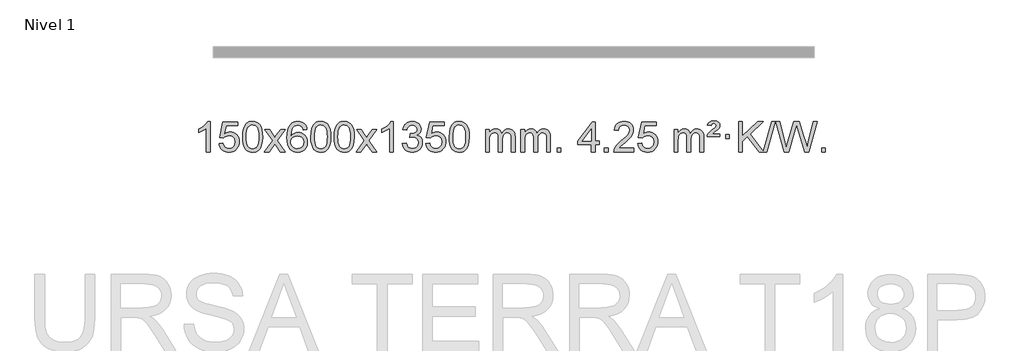
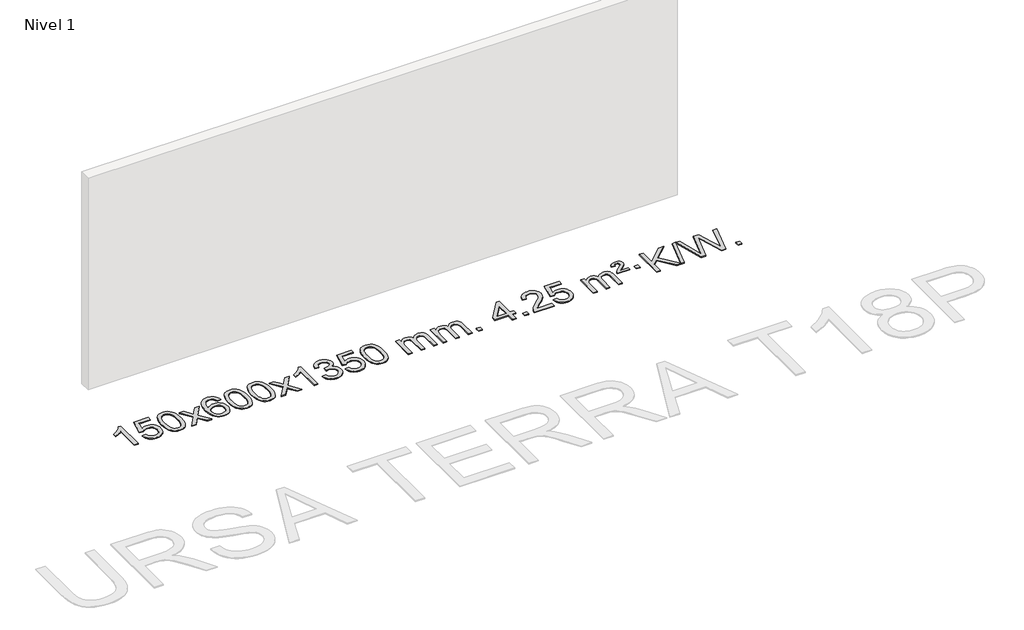
# One storey, part 2 of 9: 1 proxy.
"""IFC4 building model written with IfcOpenShell, lengths in millimetres."""

import ifcopenshell
import ifcopenshell.guid

model = None  # the IFC model being written
_history = None  # IfcOwnerHistory: only IFC2X3 demands one
_inside = {}  # id of a spatial element -> (the spatial element, [elements in it])
_under = {}  # id of a project, library or spatial element -> (it, [spatial elements below it])
_declared = {}  # id of a project -> (the project, [libraries it declares])
_typed = {}  # id of a type object -> (the type object, [elements of that type])
_made_of = {}  # id of a material, layer set ... -> (it, [elements and type objects made of it])


def new_model(schema):
    """Start an empty IFC model of exactly this schema.

    Asked for "IFC4X3", IfcOpenShell would pick the latest addendum, in which some entities
    have other attributes; the version numbers below select the first issue.
    IFC2X3 requires an IfcOwnerHistory on every rooted entity: one is made here for all.
    """
    global model, _history
    if schema == "IFC4X3":
        model = ifcopenshell.file(schema_version=(4, 3, 0, 0))
    else:
        model = ifcopenshell.file(schema=schema)
    _inside.clear()
    _under.clear()
    _declared.clear()
    _typed.clear()
    _made_of.clear()
    _history = None
    if model.schema == "IFC2X3":
        org = make("IfcOrganization", Name="unknown")
        user = make(
            "IfcPersonAndOrganization",
            ThePerson=make("IfcPerson", FamilyName="unknown"),
            TheOrganization=org,
        )
        app = make(
            "IfcApplication",
            ApplicationDeveloper=org,
            Version="unknown",
            ApplicationFullName="unknown",
            ApplicationIdentifier="unknown",
        )
        _history = make(
            "IfcOwnerHistory",
            OwningUser=user,
            OwningApplication=app,
            ChangeAction="ADDED",
            CreationDate=0,
        )
    return model


def make(cls, **values):
    """One entity of the class cls with the attributes given. An attribute that is None is left unset."""
    return model.create_entity(
        cls, **{name: value for name, value in values.items() if value is not None}
    )


def rooted(cls, **values):
    """An entity with a GlobalId (a new one), such as an element, a storey or a relation."""
    return make(cls, GlobalId=ifcopenshell.guid.new(), OwnerHistory=_history, **values)


def si_unit(unit_type, name, prefix=None):
    """IfcSIUnit, for example si_unit("LENGTHUNIT", "METRE", prefix="MILLI")."""
    return make("IfcSIUnit", UnitType=unit_type, Prefix=prefix, Name=name)


def assignment(units):
    """IfcUnitAssignment: the units of a project."""
    return None if units is None else make("IfcUnitAssignment", Units=units)


def point(xyz):
    """IfcCartesianPoint."""
    return None if xyz is None else make("IfcCartesianPoint", Coordinates=xyz)


def direction(xyz):
    """IfcDirection."""
    return None if xyz is None else make("IfcDirection", DirectionRatios=xyz)


def frame(location, z_axis=None, x_axis=None):
    """IfcAxis2Placement3D, a coordinate frame: its origin and axes. An axis left out is left unset."""
    return make(
        "IfcAxis2Placement3D",
        Location=point(location),
        Axis=direction(z_axis),
        RefDirection=direction(x_axis),
    )


def origin():
    """The frame at (0, 0, 0) with its axes left unset."""
    return frame((0.0, 0.0, 0.0))


def origin_with_axes():
    """The frame at (0, 0, 0) with the z axis (0, 0, 1) and the x axis (1, 0, 0) written out."""
    return frame((0.0, 0.0, 0.0), z_axis=(0.0, 0.0, 1.0), x_axis=(1.0, 0.0, 0.0))


def place(relative_to, where):
    """IfcLocalPlacement: puts the frame where relative to a parent placement (None: the world)."""
    return make(
        "IfcLocalPlacement", PlacementRelTo=relative_to, RelativePlacement=where
    )


def context(
    kind, dimensions, precision=None, world=None, true_north=None, identifier=None
):
    """IfcGeometricRepresentationContext, for example the 3D "Model" context."""
    return make(
        "IfcGeometricRepresentationContext",
        ContextIdentifier=identifier,
        ContextType=kind,
        CoordinateSpaceDimension=dimensions,
        Precision=precision,
        WorldCoordinateSystem=world,
        TrueNorth=true_north,
    )


def project(units=None, contexts=None):
    """IfcProject with its units and contexts."""
    return rooted(
        "IfcProject",
        Name="project",
        RepresentationContexts=contexts,
        UnitsInContext=assignment(units),
    )


def spatial(cls, under=None, at=None, **own):
    """A site, building, storey or space (cls), placed at a placement, below another one or the project."""
    s = rooted(cls, ObjectPlacement=at, **own)
    if under is not None:
        _under.setdefault(under.id(), (under, []))[1].append(s)
    return s


def polyline(points):
    """IfcPolyline through the points."""
    return make("IfcPolyline", Points=[point(p) for p in points])


def outline(outer, holes=None, kind="AREA"):
    """IfcArbitraryClosedProfileDef: a profile drawn as a closed curve; with holes, ...WithVoids."""
    if holes is None:
        return make("IfcArbitraryClosedProfileDef", ProfileType=kind, OuterCurve=outer)
    return make(
        "IfcArbitraryProfileDefWithVoids",
        ProfileType=kind,
        OuterCurve=outer,
        InnerCurves=holes,
    )


def extrude(swept, where, along, depth):
    """IfcExtrudedAreaSolid: the profile swept, set in the frame where, extruded along a direction by depth."""
    return make(
        "IfcExtrudedAreaSolid",
        SweptArea=swept,
        Position=where,
        ExtrudedDirection=direction(along),
        Depth=depth,
    )


def shape(context_of_items, identifier, shape_type, items):
    """IfcShapeRepresentation: the items that make up one representation, for example the "Body"."""
    return make(
        "IfcShapeRepresentation",
        ContextOfItems=context_of_items,
        RepresentationIdentifier=identifier,
        RepresentationType=shape_type,
        Items=items,
    )


def made_of(thing, what):
    """Note that an element or type object is made of a material, layer set ...; save() writes the relation."""
    if what is not None:
        _made_of.setdefault(what.id(), (what, []))[1].append(thing)
    return thing


def element(
    cls,
    number,
    at=None,
    inside=None,
    cuts=None,
    type_object=None,
    material=None,
    context=None,
    identifier="Body",
    shape_type=None,
    held_by="IfcProductDefinitionShape",
    body=None,
    shapes=None,
    **own,
):
    """One element of the class cls, such as IfcWall. Its Tag is "e" and its number.

    at: its placement. inside: the storey or other place that contains it. cuts: it is an
    opening in that element (IfcRelVoidsElement). A single representation is given by context,
    identifier, shape_type and body (its items); several are given by shapes. held_by: the class
    of the entity that holds the representations. save() writes the other relations.
    """
    e = rooted(cls, Tag="e%d" % number, ObjectPlacement=at, **own)
    if body is not None:
        shapes = [shape(context, identifier, shape_type, body)]
    if shapes is not None:
        e.Representation = make(held_by, Representations=shapes)
    if inside is not None:
        _inside.setdefault(inside.id(), (inside, []))[1].append(e)
    if cuts is not None:
        rooted(
            "IfcRelVoidsElement", RelatingBuildingElement=cuts, RelatedOpeningElement=e
        )
    if type_object is not None:
        _typed.setdefault(type_object.id(), (type_object, []))[1].append(e)
    return made_of(e, material)


def aggregate(whole, parts):
    """IfcRelAggregates: a whole, such as a stair, and the parts it consists of."""
    return rooted("IfcRelAggregates", RelatingObject=whole, RelatedObjects=parts)


def save(model, path):
    """Write the relations noted so far, then the file.

    IfcRelAggregates (storeys below a building ...), IfcRelContainedInSpatialStructure (elements
    in a storey), IfcRelDefinesByType, IfcRelAssociatesMaterial and IfcRelDeclares: one each for
    every whole, place, type object, material and project.
    """
    for whole, parts in _under.values():
        aggregate(whole, parts)
    for where, things in _inside.values():
        rooted(
            "IfcRelContainedInSpatialStructure",
            RelatedElements=things,
            RelatingStructure=where,
        )
    for kind, things in _typed.values():
        rooted("IfcRelDefinesByType", RelatedObjects=things, RelatingType=kind)
    for what, things in _made_of.values():
        rooted("IfcRelAssociatesMaterial", RelatedObjects=things, RelatingMaterial=what)
    for by, libraries in _declared.values():
        rooted("IfcRelDeclares", RelatingContext=by, RelatedDefinitions=libraries)
    model.write(path)


model = new_model("IFC4")

# Units and contexts
model_context = context("Model", 3, world=origin())
ifc_project = project(units=[si_unit("LENGTHUNIT", "METRE", prefix="MILLI")], contexts=[model_context])

# Site, building, storey
site = spatial("IfcSite", under=ifc_project)
building = spatial("IfcBuilding", under=site)
storey = spatial("IfcBuildingStorey", under=building, Name="Nivel 1", Elevation=0.0)

# Proxy
placement = place(None, origin())
element("IfcBuildingElementProxy", 1, Name="Texto de modelo 1", ObjectType="Texto de modelo 1", at=placement, inside=storey, context=model_context, shape_type="SweptSolid", body=[
    extrude(outline(polyline([(-6575.4615788, -18411.579453), (-6625.6897338, -18411.579453), (-6625.6897338, -18098.4382987), (-6646.6590076, -18115.3976587), (-6673.2691385, -18132.3324932), (-6726.146044, -18157.6918254), (-6726.146044, -18110.2105225), (-6686.6968314, -18088.7507395), (-6652.520594, -18063.219729), (-6625.5793692, -18036.0700378), (-6607.8351943, -18009.7542124), (-6575.4615788, -18009.7542124), (-6575.4615788, -18411.579453)])), origin_with_axes(), (0.0, 0.0, 1.0), 10.0),
    extrude(outline(polyline([(-6456.1697105, -18304.8446235), (-6405.9415554, -18298.5661041), (-6396.71998, -18328.7201649), (-6380.6312741, -18350.3148381), (-6357.749014, -18363.3010725), (-6328.1467761, -18367.6298173), (-6309.0169124, -18366.1245668), (-6292.1433915, -18361.6088153), (-6277.5262136, -18354.0825628), (-6265.1653786, -18343.5458094), (-6255.3367979, -18330.519721), (-6248.3163832, -18315.5254641), (-6242.7000514, -18279.6324441), (-6247.9607639, -18245.8363514), (-6254.5366546, -18231.9181493), (-6263.7429015, -18219.9865099), (-6275.6101615, -18210.4154467), (-6290.1690915, -18203.5789729), (-6327.3619612, -18198.1097939), (-6351.728012, -18200.2925604), (-6371.4587497, -18206.8408599), (-6387.2163618, -18216.8717757), (-6399.663036, -18229.5023908), (-6449.8911911, -18223.2238715), (-6405.9415554, -18016.0327318), (-6211.3074545, -18016.0327318), (-6211.3074545, -18066.2608869), (-6365.3273831, -18066.2608869), (-6386.9097935, -18176.919791), (-6369.1840127, -18164.2155994), (-6351.0290362, -18155.1411769), (-6332.4448641, -18149.6965234), (-6313.4314963, -18147.8816388), (-6288.9673437, -18150.1318504), (-6266.4897537, -18156.882485), (-6245.9987266, -18168.1335427), (-6227.4942623, -18183.8850234), (-6212.1719772, -18203.1743027), (-6201.2274878, -18225.038756), (-6194.6607942, -18249.4783832), (-6192.4718963, -18276.4931844), (-6194.440065, -18302.5147042), (-6200.344571, -18326.7213394), (-6210.1854144, -18349.1130902), (-6223.9625951, -18369.6899565), (-6244.833767, -18390.7634634), (-6269.187555, -18405.8159684), (-6297.0239593, -18414.8474714), (-6328.3429799, -18417.8579724), (-6354.2633321, -18415.9235262), (-6377.6759554, -18410.1201877), (-6398.5808498, -18400.447957), (-6416.9780152, -18386.9068338), (-6432.2849719, -18370.1712688), (-6443.91924, -18350.915712), (-6451.8808195, -18329.1401636), (-6456.1697105, -18304.8446235)])), origin_with_axes(), (0.0, 0.0, 1.0), 10.0),
    extrude(outline(polyline([(-6148.5222606, -18213.9041943), (-6144.8311779, -18149.5861588), (-6133.7579299, -18098.2911459), (-6115.4128811, -18059.2343407), (-6103.5548181, -18044.0009605), (-6089.9063961, -18031.6309284), (-6074.4216298, -18022.0598651), (-6057.0545339, -18015.2233914), (-6016.6733536, -18009.7542124), (-5985.722215, -18012.991574), (-5958.0084381, -18022.7036586), (-5934.8318724, -18038.5103217), (-5917.4923677, -18060.0314184), (-5904.3957686, -18087.0830078), (-5893.94792, -18119.4811488), (-5887.1053149, -18160.6226186), (-5884.8244465, -18213.9041943), (-5888.478741, -18277.8543477), (-5899.4416244, -18329.0267333), (-5917.6763087, -18368.1203266), (-5929.5067805, -18383.3996922), (-5943.1460055, -18395.8341036), (-5958.6491659, -18405.4695462), (-5976.071444, -18412.3520052), (-6016.6733536, -18417.8579724), (-6044.3380796, -18415.4667394), (-6068.8635459, -18408.2930405), (-6090.2497526, -18396.3368757), (-6108.4966996, -18379.5982449), (-6126.0078825, -18349.3399508), (-6138.5158704, -18311.6381776), (-6146.0206631, -18266.4929255), (-6148.5222606, -18213.9041943)]), holes=[polyline([(-6098.2941056, -18213.8060924), (-6096.8225776, -18257.4706195), (-6092.4079936, -18292.8148822), (-6085.0503537, -18319.8388804), (-6074.7496579, -18338.5426142), (-6062.290721, -18351.2682656), (-6048.4583579, -18360.3580165), (-6033.2525688, -18365.8118671), (-6016.6733536, -18367.6298173), (-6000.0941383, -18365.8057357), (-5984.8883492, -18360.3334911), (-5971.0559862, -18351.2130833), (-5958.5970493, -18338.4445124), (-5948.2963534, -18319.7101217), (-5940.9387135, -18292.6922549), (-5936.5241295, -18257.3909118), (-5935.0526016, -18213.8060924), (-5936.4750786, -18171.2973278), (-5940.7425098, -18136.5753989), (-5947.854895, -18109.6403055), (-5957.8122343, -18090.4920476), (-5970.0627048, -18077.1440625), (-5984.0544833, -18067.6097875), (-5999.78757, -18061.8892225), (-6017.2619648, -18059.9823675), (-6033.7553409, -18061.6623619), (-6048.7036126, -18066.7023452), (-6062.10678, -18075.1023175), (-6073.9648429, -18086.8622786), (-6084.6088953, -18107.708925), (-6092.2117899, -18135.8151094), (-6096.7735266, -18171.1808319), (-6098.2941056, -18213.8060924)])]), origin_with_axes(), (0.0, 0.0, 1.0), 10.0),
    extrude(outline(polyline([(-5859.7103689, -18411.579453), (-5752.3869282, -18263.1513307), (-5853.4318496, -18116.4890419), (-5793.1973042, -18116.4890419), (-5744.4406771, -18187.2204869), (-5721.5829425, -18220.4770192), (-5701.7663657, -18193.2047007), (-5646.2407099, -18116.4890419), (-5585.8099608, -18116.4890419), (-5691.9561791, -18263.2494325), (-5589.7340354, -18411.579453), (-5650.0666826, -18411.579453), (-5711.6746541, -18322.3067555), (-5722.8582667, -18305.923744), (-5799.2796199, -18411.579453), (-5859.7103689, -18411.579453)])), origin_with_axes(), (0.0, 0.0, 1.0), 10.0),
    extrude(outline(polyline([(-5300.9221437, -18116.4890419), (-5351.1502988, -18122.7675613), (-5359.2437027, -18097.874213), (-5370.1820607, -18080.8780648), (-5392.9662189, -18065.2062918), (-5420.5083176, -18059.9823675), (-5443.8565616, -18063.0235253), (-5465.8313794, -18072.1469988), (-5484.7037258, -18091.3627017), (-5500.1179814, -18117.8134171), (-5510.5290419, -18155.227016), (-5514.3918028, -18207.3313693), (-5494.2441322, -18183.8237098), (-5470.0988106, -18167.2567573), (-5443.3047386, -18157.434308), (-5415.2108169, -18154.1601582), (-5391.077758, -18156.398107), (-5368.8086346, -18163.1119534), (-5348.4034466, -18174.3016975), (-5329.862194, -18189.9673391), (-5314.4540698, -18209.1769106), (-5303.4482668, -18230.9984443), (-5296.844785, -18255.4319401), (-5294.6436244, -18282.4773982), (-5298.7884282, -18318.4439945), (-5311.2228396, -18351.786366), (-5330.9167891, -18380.0642287), (-5356.840207, -18400.8372987), (-5387.815871, -18413.602804), (-5422.6665587, -18417.8579724), (-5452.6090874, -18415.0375437), (-5479.6514797, -18406.5762579), (-5503.7937357, -18392.4741147), (-5525.0358552, -18372.7311143), (-5542.3539001, -18346.5133908), (-5554.7239322, -18312.9870783), (-5562.1459515, -18272.1521768), (-5564.6199579, -18224.0086864), (-5561.8731057, -18170.0342663), (-5553.632549, -18123.9693092), (-5539.8982878, -18085.8138149), (-5520.6703222, -18055.5677835), (-5499.8298072, -18035.5243462), (-5475.6660915, -18021.2076052), (-5448.179175, -18012.6175606), (-5417.3690579, -18009.7542124), (-5394.2354118, -18011.5261773), (-5373.2967949, -18016.8420722), (-5354.5532073, -18025.7018969), (-5338.0046489, -18038.1056515), (-5324.0987094, -18053.6364031), (-5313.2829788, -18071.8772186), (-5305.5574569, -18092.8280983), (-5300.9221437, -18116.4890419)]), holes=[polyline([(-5514.3918028, -18281.6925832), (-5511.485535, -18303.9494439), (-5502.7667318, -18325.2007605), (-5489.2286743, -18343.472233), (-5471.8646442, -18356.7895612), (-5450.9076332, -18364.9197533), (-5426.5906333, -18367.6298173), (-5393.4444655, -18362.0134855), (-5379.5293291, -18354.9930708), (-5367.3861575, -18345.1644901), (-5357.5361171, -18332.9262824), (-5350.500374, -18318.6769865), (-5344.8717794, -18284.1451299), (-5350.4267976, -18250.9989621), (-5357.3705702, -18237.3781312), (-5367.0918519, -18225.725469), (-5379.2718117, -18216.3904634), (-5393.5916183, -18209.7226022), (-5428.6507725, -18204.3883133), (-5461.7478893, -18209.7226022), (-5489.4248781, -18225.725469), (-5500.3479076, -18237.2248471), (-5508.1500716, -18250.3858254), (-5512.83137, -18265.2084042), (-5514.3918028, -18281.6925832)])]), origin_with_axes(), (0.0, 0.0, 1.0), 10.0),
    extrude(outline(polyline([(-5250.6939887, -18213.9041943), (-5247.002906, -18149.5861588), (-5235.9296579, -18098.2911459), (-5217.5846091, -18059.2343407), (-5205.7265461, -18044.0009605), (-5192.0781241, -18031.6309284), (-5176.5933578, -18022.0598651), (-5159.2262619, -18015.2233914), (-5118.8450816, -18009.7542124), (-5087.8939431, -18012.991574), (-5060.1801661, -18022.7036586), (-5037.0036004, -18038.5103217), (-5019.6640957, -18060.0314184), (-5006.5674967, -18087.0830078), (-4996.119648, -18119.4811488), (-4989.2770429, -18160.6226186), (-4986.9961745, -18213.9041943), (-4990.650469, -18277.8543477), (-5001.6133525, -18329.0267333), (-5019.8480367, -18368.1203266), (-5031.6785085, -18383.3996922), (-5045.3177335, -18395.8341036), (-5060.8208939, -18405.4695462), (-5078.2431721, -18412.3520052), (-5118.8450816, -18417.8579724), (-5146.5098076, -18415.4667394), (-5171.035274, -18408.2930405), (-5192.4214806, -18396.3368757), (-5210.6684276, -18379.5982449), (-5228.1796106, -18349.3399508), (-5240.6875984, -18311.6381776), (-5248.1923911, -18266.4929255), (-5250.6939887, -18213.9041943)]), holes=[polyline([(-5200.4658336, -18213.8060924), (-5198.9943056, -18257.4706195), (-5194.5797217, -18292.8148822), (-5187.2220818, -18319.8388804), (-5176.9213859, -18338.5426142), (-5164.462449, -18351.2682656), (-5150.630086, -18360.3580165), (-5135.4242968, -18365.8118671), (-5118.8450816, -18367.6298173), (-5102.2658663, -18365.8057357), (-5087.0600772, -18360.3334911), (-5073.2277142, -18351.2130833), (-5060.7687773, -18338.4445124), (-5050.4680814, -18319.7101217), (-5043.1104415, -18292.6922549), (-5038.6958576, -18257.3909118), (-5037.2243296, -18213.8060924), (-5038.6468066, -18171.2973278), (-5042.9142378, -18136.5753989), (-5050.026623, -18109.6403055), (-5059.9839624, -18090.4920476), (-5072.2344328, -18077.1440625), (-5086.2262114, -18067.6097875), (-5101.959298, -18061.8892225), (-5119.4336928, -18059.9823675), (-5135.9270689, -18061.6623619), (-5150.8753406, -18066.7023452), (-5164.278508, -18075.1023175), (-5176.136571, -18086.8622786), (-5186.7806234, -18107.708925), (-5194.3835179, -18135.8151094), (-5198.9452547, -18171.1808319), (-5200.4658336, -18213.8060924)])]), origin_with_axes(), (0.0, 0.0, 1.0), 10.0),
    extrude(outline(polyline([(-4943.0465388, -18213.9041943), (-4939.3554561, -18149.5861588), (-4928.2822081, -18098.2911459), (-4909.9371593, -18059.2343407), (-4898.0790963, -18044.0009605), (-4884.4306743, -18031.6309284), (-4868.945908, -18022.0598651), (-4851.5788121, -18015.2233914), (-4811.1976318, -18009.7542124), (-4780.2464932, -18012.991574), (-4752.5327163, -18022.7036586), (-4729.3561506, -18038.5103217), (-4712.0166459, -18060.0314184), (-4698.9200468, -18087.0830078), (-4688.4721982, -18119.4811488), (-4681.6295931, -18160.6226186), (-4679.3487247, -18213.9041943), (-4683.0030192, -18277.8543477), (-4693.9659026, -18329.0267333), (-4712.2005869, -18368.1203266), (-4724.0310587, -18383.3996922), (-4737.6702837, -18395.8341036), (-4753.1734441, -18405.4695462), (-4770.5957222, -18412.3520052), (-4811.1976318, -18417.8579724), (-4838.8623578, -18415.4667394), (-4863.3878241, -18408.2930405), (-4884.7740308, -18396.3368757), (-4903.0209778, -18379.5982449), (-4920.5321607, -18349.3399508), (-4933.0401486, -18311.6381776), (-4940.5449413, -18266.4929255), (-4943.0465388, -18213.9041943)]), holes=[polyline([(-4892.8183838, -18213.8060924), (-4891.3468558, -18257.4706195), (-4886.9322718, -18292.8148822), (-4879.5746319, -18319.8388804), (-4869.2739361, -18338.5426142), (-4856.8149992, -18351.2682656), (-4842.9826361, -18360.3580165), (-4827.776847, -18365.8118671), (-4811.1976318, -18367.6298173), (-4794.6184165, -18365.8057357), (-4779.4126274, -18360.3334911), (-4765.5802644, -18351.2130833), (-4753.1213275, -18338.4445124), (-4742.8206316, -18319.7101217), (-4735.4629917, -18292.6922549), (-4731.0484077, -18257.3909118), (-4729.5768798, -18213.8060924), (-4730.9993568, -18171.2973278), (-4735.266788, -18136.5753989), (-4742.3791732, -18109.6403055), (-4752.3365125, -18090.4920476), (-4764.586983, -18077.1440625), (-4778.5787615, -18067.6097875), (-4794.3118482, -18061.8892225), (-4811.786243, -18059.9823675), (-4828.2796191, -18061.6623619), (-4843.2278908, -18066.7023452), (-4856.6310582, -18075.1023175), (-4868.4891211, -18086.8622786), (-4879.1331735, -18107.708925), (-4886.7360681, -18135.8151094), (-4891.2978048, -18171.1808319), (-4892.8183838, -18213.8060924)])]), origin_with_axes(), (0.0, 0.0, 1.0), 10.0),
    extrude(outline(polyline([(-4654.2346472, -18411.579453), (-4546.9112064, -18263.1513307), (-4647.9561278, -18116.4890419), (-4587.7215824, -18116.4890419), (-4538.9649553, -18187.2204869), (-4516.1072207, -18220.4770192), (-4496.2906439, -18193.2047007), (-4440.7649881, -18116.4890419), (-4380.334239, -18116.4890419), (-4486.4804574, -18263.2494325), (-4384.2583136, -18411.579453), (-4444.5909608, -18411.579453), (-4506.1989323, -18322.3067555), (-4517.3825449, -18305.923744), (-4593.8038981, -18411.579453), (-4654.2346472, -18411.579453)])), origin_with_axes(), (0.0, 0.0, 1.0), 10.0),
    extrude(outline(polyline([(-4164.5101352, -18411.579453), (-4214.7382902, -18411.579453), (-4214.7382902, -18098.4382987), (-4235.707564, -18115.3976587), (-4262.317695, -18132.3324932), (-4315.1946004, -18157.6918254), (-4315.1946004, -18110.2105225), (-4275.7453878, -18088.7507395), (-4241.5691504, -18063.219729), (-4214.6279257, -18036.0700378), (-4196.8837508, -18009.7542124), (-4164.5101352, -18009.7542124), (-4164.5101352, -18411.579453)])), origin_with_axes(), (0.0, 0.0, 1.0), 10.0),
    extrude(outline(polyline([(-4045.2182669, -18304.8446235), (-3994.9901118, -18298.5661041), (-3983.7451855, -18330.1303793), (-3967.2763348, -18351.4430095), (-3944.7742195, -18363.5831154), (-3915.429499, -18367.6298173), (-3880.9957442, -18362.0625364), (-3866.7219228, -18355.1034354), (-3854.4101387, -18345.3606939), (-3837.4139905, -18320.4428201), (-3831.7486078, -18290.2274455), (-3837.3649396, -18261.5449126), (-3854.213935, -18238.2825078), (-3879.72042, -18222.8682522), (-3911.3092206, -18217.730167), (-3946.5277903, -18223.2238715), (-3940.935984, -18172.9957164), (-3932.891631, -18173.5843276), (-3902.7988838, -18169.979084), (-3875.8944472, -18159.1633534), (-3864.8211992, -18150.9841103), (-3856.9117363, -18140.8673555), (-3852.1660585, -18128.8130888), (-3850.584166, -18114.8213102), (-3855.1704282, -18093.1285352), (-3868.9292148, -18075.5315131), (-3889.923014, -18063.8696539), (-3916.2143139, -18059.9823675), (-3942.5546648, -18063.9064421), (-3964.0880242, -18075.6786659), (-3979.8088481, -18095.299039), (-3988.7115924, -18122.7675613), (-4038.9397475, -18116.4890419), (-4032.9861905, -18092.5092672), (-4024.1508913, -18071.3867093), (-4012.4338497, -18053.1213683), (-3997.8350659, -18037.713244), (-3980.8143922, -18025.4811677), (-3961.8316813, -18016.7439703), (-3940.886933, -18011.5016519), (-3917.9801475, -18009.7542124), (-3886.4036096, -18013.2000404), (-3857.4022456, -18023.5375245), (-3832.9503557, -18039.8469596), (-3815.0222398, -18061.2086408), (-3804.0225681, -18085.8199463), (-3800.3560109, -18111.8782543), (-3803.8386271, -18136.1584659), (-3814.2864758, -18158.1823347), (-3831.5524041, -18176.9443165), (-3855.4892592, -18191.4388671), (-3824.0476114, -18204.1430586), (-3800.7484183, -18225.77452), (-3786.3274441, -18255.1560286), (-3781.5204527, -18291.1103623), (-3783.9239484, -18316.5923218), (-3791.1344355, -18340.0631931), (-3803.151914, -18361.5229762), (-3819.976384, -18380.971671), (-3840.4735425, -18397.1094278), (-3863.5090867, -18408.636397), (-3889.0830168, -18415.5525785), (-3917.1953326, -18417.8579724), (-3942.6037157, -18415.8898037), (-3965.7557559, -18409.9852977), (-3986.6514532, -18400.1444543), (-4005.2908077, -18386.3672736), (-4020.9196611, -18369.4630959), (-4032.7838554, -18350.2412617), (-4040.8833907, -18328.7017708), (-4045.2182669, -18304.8446235)])), origin_with_axes(), (0.0, 0.0, 1.0), 10.0),
    extrude(outline(polyline([(-3737.570817, -18304.8446235), (-3687.342662, -18298.5661041), (-3678.1210866, -18328.7201649), (-3662.0323807, -18350.3148381), (-3639.1501206, -18363.3010725), (-3609.5478827, -18367.6298173), (-3590.418019, -18366.1245668), (-3573.5444981, -18361.6088153), (-3558.9273202, -18354.0825628), (-3546.5664851, -18343.5458094), (-3536.7379045, -18330.519721), (-3529.7174898, -18315.5254641), (-3524.101158, -18279.6324441), (-3529.3618705, -18245.8363514), (-3535.9377612, -18231.9181493), (-3545.1440081, -18219.9865099), (-3557.0112681, -18210.4154467), (-3571.5701981, -18203.5789729), (-3608.7630678, -18198.1097939), (-3633.1291186, -18200.2925604), (-3652.8598563, -18206.8408599), (-3668.6174684, -18216.8717757), (-3681.0641426, -18229.5023908), (-3731.2922977, -18223.2238715), (-3687.342662, -18016.0327318), (-3492.708561, -18016.0327318), (-3492.708561, -18066.2608869), (-3646.7284897, -18066.2608869), (-3668.3109001, -18176.919791), (-3650.5851193, -18164.2155994), (-3632.4301428, -18155.1411769), (-3613.8459707, -18149.6965234), (-3594.8326029, -18147.8816388), (-3570.3684502, -18150.1318504), (-3547.8908603, -18156.882485), (-3527.3998332, -18168.1335427), (-3508.8953688, -18183.8850234), (-3493.5730837, -18203.1743027), (-3482.6285944, -18225.038756), (-3476.0619008, -18249.4783832), (-3473.8730029, -18276.4931844), (-3475.8411716, -18302.5147042), (-3481.7456776, -18326.7213394), (-3491.586521, -18349.1130902), (-3505.3637017, -18369.6899565), (-3526.2348735, -18390.7634634), (-3550.5886616, -18405.8159684), (-3578.4250659, -18414.8474714), (-3609.7440864, -18417.8579724), (-3635.6644387, -18415.9235262), (-3659.077062, -18410.1201877), (-3679.9819564, -18400.447957), (-3698.3791218, -18386.9068338), (-3713.6860785, -18370.1712688), (-3725.3203466, -18350.915712), (-3733.2819261, -18329.1401636), (-3737.570817, -18304.8446235)])), origin_with_axes(), (0.0, 0.0, 1.0), 10.0),
    extrude(outline(polyline([(-3429.9233672, -18213.9041943), (-3426.2322845, -18149.5861588), (-3415.1590365, -18098.2911459), (-3396.8139876, -18059.2343407), (-3384.9559247, -18044.0009605), (-3371.3075026, -18031.6309284), (-3355.8227363, -18022.0598651), (-3338.4556405, -18015.2233914), (-3298.0744601, -18009.7542124), (-3267.1233216, -18012.991574), (-3239.4095446, -18022.7036586), (-3216.2329789, -18038.5103217), (-3198.8934742, -18060.0314184), (-3185.7968752, -18087.0830078), (-3175.3490265, -18119.4811488), (-3168.5064214, -18160.6226186), (-3166.2255531, -18213.9041943), (-3169.8798475, -18277.8543477), (-3180.842731, -18329.0267333), (-3199.0774152, -18368.1203266), (-3210.9078871, -18383.3996922), (-3224.547112, -18395.8341036), (-3240.0502724, -18405.4695462), (-3257.4725506, -18412.3520052), (-3298.0744601, -18417.8579724), (-3325.7391862, -18415.4667394), (-3350.2646525, -18408.2930405), (-3371.6508592, -18396.3368757), (-3389.8978061, -18379.5982449), (-3407.4089891, -18349.3399508), (-3419.9169769, -18311.6381776), (-3427.4217696, -18266.4929255), (-3429.9233672, -18213.9041943)]), holes=[polyline([(-3379.6952121, -18213.8060924), (-3378.2236842, -18257.4706195), (-3373.8091002, -18292.8148822), (-3366.4514603, -18319.8388804), (-3356.1507644, -18338.5426142), (-3343.6918275, -18351.2682656), (-3329.8594645, -18360.3580165), (-3314.6536754, -18365.8118671), (-3298.0744601, -18367.6298173), (-3281.4952449, -18365.8057357), (-3266.2894558, -18360.3334911), (-3252.4570927, -18351.2130833), (-3239.9981558, -18338.4445124), (-3229.69746, -18319.7101217), (-3222.3398201, -18292.6922549), (-3217.9252361, -18257.3909118), (-3216.4537081, -18213.8060924), (-3217.8761852, -18171.2973278), (-3222.1436163, -18136.5753989), (-3229.2560016, -18109.6403055), (-3239.2133409, -18090.4920476), (-3251.4638113, -18077.1440625), (-3265.4555899, -18067.6097875), (-3281.1886766, -18061.8892225), (-3298.6630713, -18059.9823675), (-3315.1564474, -18061.6623619), (-3330.1047192, -18066.7023452), (-3343.5078865, -18075.1023175), (-3355.3659495, -18086.8622786), (-3366.0100019, -18107.708925), (-3373.6128965, -18135.8151094), (-3378.1746332, -18171.1808319), (-3379.6952121, -18213.8060924)])]), origin_with_axes(), (0.0, 0.0, 1.0), 10.0),
    extrude(outline(polyline([(-2952.755894, -18411.579453), (-2952.755894, -18116.4890419), (-2902.5277389, -18116.4890419), (-2902.5277389, -18165.0494653), (-2887.4200517, -18142.7435537), (-2867.9958823, -18125.2691589), (-2844.9174185, -18113.9751816), (-2818.8468478, -18110.2105225), (-2790.9123416, -18114.048758), (-2768.5205908, -18125.5634645), (-2751.7942228, -18143.9943524), (-2740.8558648, -18168.5811324), (-2722.5476041, -18143.0439906), (-2701.6641696, -18124.803175), (-2678.205561, -18113.8586857), (-2652.1717785, -18110.2105225), (-2632.0639617, -18111.7280358), (-2614.414823, -18116.2805755), (-2599.2243623, -18123.8681416), (-2586.4925796, -18134.4907342), (-2576.4279413, -18148.2709806), (-2569.238914, -18165.3315082), (-2564.9254976, -18185.6723168), (-2563.4876922, -18209.2934066), (-2563.4876922, -18411.579453), (-2613.7158472, -18411.579453), (-2613.7158472, -18230.875817), (-2614.8808069, -18205.8230531), (-2618.3756858, -18188.9372695), (-2624.9239854, -18177.3735121), (-2635.2492067, -18168.2868268), (-2648.5297467, -18162.4007149), (-2663.9440023, -18160.4386776), (-2691.1550072, -18165.4663982), (-2713.3382915, -18180.54956), (-2721.9436645, -18192.1194488), (-2728.0903595, -18206.7182326), (-2733.0077155, -18245.0024856), (-2733.0077155, -18411.579453), (-2783.2358706, -18411.579453), (-2783.2358706, -18225.2840106), (-2786.1421384, -18196.8835206), (-2794.8609417, -18176.6254854), (-2810.2016209, -18164.4853796), (-2832.9735164, -18160.4386776), (-2852.3241093, -18163.1364789), (-2870.1541233, -18171.2298828), (-2884.8694032, -18184.5226856), (-2894.8757934, -18202.8186835), (-2900.6147525, -18228.2025411), (-2902.5277389, -18262.7589232), (-2902.5277389, -18411.579453), (-2952.755894, -18411.579453)])), origin_with_axes(), (0.0, 0.0, 1.0), 10.0),
    extrude(outline(polyline([(-2488.1454596, -18411.579453), (-2488.1454596, -18116.4890419), (-2437.9173045, -18116.4890419), (-2437.9173045, -18165.0494653), (-2422.8096172, -18142.7435537), (-2403.3854479, -18125.2691589), (-2380.306984, -18113.9751816), (-2354.2364133, -18110.2105225), (-2326.3019071, -18114.048758), (-2303.9101564, -18125.5634645), (-2287.1837883, -18143.9943524), (-2276.2454303, -18168.5811324), (-2257.9371697, -18143.0439906), (-2237.0537351, -18124.803175), (-2213.5951266, -18113.8586857), (-2187.561344, -18110.2105225), (-2167.4535273, -18111.7280358), (-2149.8043886, -18116.2805755), (-2134.6139279, -18123.8681416), (-2121.8821452, -18134.4907342), (-2111.8175069, -18148.2709806), (-2104.6284796, -18165.3315082), (-2100.3150632, -18185.6723168), (-2098.8772577, -18209.2934066), (-2098.8772577, -18411.579453), (-2149.1054128, -18411.579453), (-2149.1054128, -18230.875817), (-2150.2703724, -18205.8230531), (-2153.7652514, -18188.9372695), (-2160.3135509, -18177.3735121), (-2170.6387722, -18168.2868268), (-2183.9193123, -18162.4007149), (-2199.3335679, -18160.4386776), (-2226.5445728, -18165.4663982), (-2248.7278571, -18180.54956), (-2257.3332301, -18192.1194488), (-2263.4799251, -18206.7182326), (-2268.3972811, -18245.0024856), (-2268.3972811, -18411.579453), (-2318.6254362, -18411.579453), (-2318.6254362, -18225.2840106), (-2321.5317039, -18196.8835206), (-2330.2505072, -18176.6254854), (-2345.5911864, -18164.4853796), (-2368.3630819, -18160.4386776), (-2387.7136749, -18163.1364789), (-2405.5436889, -18171.2298828), (-2420.2589687, -18184.5226856), (-2430.265359, -18202.8186835), (-2436.0043181, -18228.2025411), (-2437.9173045, -18262.7589232), (-2437.9173045, -18411.579453), (-2488.1454596, -18411.579453)])), origin_with_axes(), (0.0, 0.0, 1.0), 10.0),
    extrude(outline(polyline([(-2010.9779863, -18411.579453), (-2010.9779863, -18361.3512979), (-1960.7498313, -18361.3512979), (-1960.7498313, -18411.579453), (-2010.9779863, -18411.579453)])), origin_with_axes(), (0.0, 0.0, 1.0), 10.0),
    extrude(outline(polyline([(-1558.9245907, -18411.579453), (-1558.9245907, -18317.4016622), (-1741.0016528, -18317.4016622), (-1741.0016528, -18267.1735072), (-1546.3675519, -18016.0327318), (-1508.6964356, -18016.0327318), (-1508.6964356, -18267.1735072), (-1458.4682805, -18267.1735072), (-1458.4682805, -18317.4016622), (-1508.6964356, -18317.4016622), (-1508.6964356, -18411.579453), (-1558.9245907, -18411.579453)]), holes=[polyline([(-1558.9245907, -18267.1735072), (-1558.9245907, -18111.9763561), (-1679.1974776, -18267.1735072), (-1558.9245907, -18267.1735072)])]), origin_with_axes(), (0.0, 0.0, 1.0), 10.0),
    extrude(outline(polyline([(-1389.4045673, -18411.579453), (-1389.4045673, -18361.3512979), (-1339.1764122, -18361.3512979), (-1339.1764122, -18411.579453), (-1389.4045673, -18411.579453)])), origin_with_axes(), (0.0, 0.0, 1.0), 10.0),
    extrude(outline(polyline([(-1000.1363655, -18361.3512979), (-1000.1363655, -18411.579453), (-1263.8341796, -18411.579453), (-1262.7305336, -18393.8965918), (-1258.438577, -18376.9494945), (-1246.0409538, -18349.8856424), (-1227.8798459, -18323.6311307), (-1201.6253342, -18296.1503456), (-1164.9474993, -18265.4076736), (-1110.7584814, -18217.2641831), (-1078.2745012, -18181.7267824), (-1062.0509053, -18152.884834), (-1056.6430399, -18124.8277005), (-1061.7565997, -18099.6768347), (-1077.0972789, -18078.7688747), (-1100.6785147, -18064.6789943), (-1130.5137446, -18059.9823675), (-1161.8450278, -18064.5686297), (-1186.1865532, -18078.3274163), (-1201.8951144, -18100.1796068), (-1207.3275051, -18129.0460807), (-1257.5556602, -18122.7675613), (-1253.2361125, -18096.838012), (-1245.3787662, -18074.1826125), (-1233.9836214, -18054.8013627), (-1219.0506781, -18038.6942627), (-1200.9232927, -18026.0329907), (-1179.944822, -18016.989225), (-1156.1152657, -18011.5629655), (-1129.434624, -18009.7542124), (-1102.514859, -18011.7653006), (-1078.5565441, -18017.7985654), (-1057.5596792, -18027.8540066), (-1039.5242644, -18041.9316242), (-1025.0389109, -18058.9890861), (-1014.6922297, -18077.9840598), (-1008.4842211, -18098.9165453), (-1006.4148848, -18121.7865427), (-1008.6467023, -18145.8092369), (-1015.3421546, -18169.4149983), (-1027.224743, -18193.4254299), (-1045.0179689, -18218.6621347), (-1073.3816707, -18248.7916701), (-1116.9756871, -18287.4805933), (-1174.7576858, -18335.795762), (-1197.4192167, -18361.3512979), (-1000.1363655, -18361.3512979)])), origin_with_axes(), (0.0, 0.0, 1.0), 10.0),
    extrude(outline(polyline([(-949.9082104, -18304.8446235), (-899.6800553, -18298.5661041), (-890.45848, -18328.7201649), (-874.369774, -18350.3148381), (-851.4875139, -18363.3010725), (-821.8852761, -18367.6298173), (-802.7554123, -18366.1245668), (-785.8818915, -18361.6088153), (-771.2647135, -18354.0825628), (-758.9038785, -18343.5458094), (-749.0752979, -18330.519721), (-742.0548831, -18315.5254641), (-736.4385513, -18279.6324441), (-741.6992639, -18245.8363514), (-748.2751545, -18231.9181493), (-757.4814014, -18219.9865099), (-769.3486615, -18210.4154467), (-783.9075914, -18203.5789729), (-821.1004611, -18198.1097939), (-845.466512, -18200.2925604), (-865.1972496, -18206.8408599), (-880.9548618, -18216.8717757), (-893.4015359, -18229.5023908), (-943.629691, -18223.2238715), (-899.6800553, -18016.0327318), (-705.0459544, -18016.0327318), (-705.0459544, -18066.2608869), (-859.065883, -18066.2608869), (-880.6482934, -18176.919791), (-862.9225126, -18164.2155994), (-844.7675362, -18155.1411769), (-826.183364, -18149.6965234), (-807.1699963, -18147.8816388), (-782.7058436, -18150.1318504), (-760.2282537, -18156.882485), (-739.7372265, -18168.1335427), (-721.2327622, -18183.8850234), (-705.9104771, -18203.1743027), (-694.9659877, -18225.038756), (-688.3992941, -18249.4783832), (-686.2103962, -18276.4931844), (-688.1785649, -18302.5147042), (-694.0830709, -18326.7213394), (-703.9239143, -18349.1130902), (-717.701095, -18369.6899565), (-738.5722669, -18390.7634634), (-762.926055, -18405.8159684), (-790.7624593, -18414.8474714), (-822.0814798, -18417.8579724), (-848.001832, -18415.9235262), (-871.4144553, -18410.1201877), (-892.3193497, -18400.447957), (-910.7165152, -18386.9068338), (-926.0234719, -18370.1712688), (-937.6577399, -18350.915712), (-945.6193195, -18329.1401636), (-949.9082104, -18304.8446235)])), origin_with_axes(), (0.0, 0.0, 1.0), 10.0),
    extrude(outline(polyline([(-472.7407372, -18411.579453), (-472.7407372, -18116.4890419), (-422.5125821, -18116.4890419), (-422.5125821, -18165.0494653), (-407.4048948, -18142.7435537), (-387.9807255, -18125.2691589), (-364.9022617, -18113.9751816), (-338.8316909, -18110.2105225), (-310.8971848, -18114.048758), (-288.505434, -18125.5634645), (-271.7790659, -18143.9943524), (-260.840708, -18168.5811324), (-242.5324473, -18143.0439906), (-221.6490127, -18124.803175), (-198.1904042, -18113.8586857), (-172.1566217, -18110.2105225), (-152.0488049, -18111.7280358), (-134.3996662, -18116.2805755), (-119.2092055, -18123.8681416), (-106.4774228, -18134.4907342), (-96.4127845, -18148.2709806), (-89.2237572, -18165.3315082), (-84.9103408, -18185.6723168), (-83.4725353, -18209.2934066), (-83.4725353, -18411.579453), (-133.7006904, -18411.579453), (-133.7006904, -18230.875817), (-134.8656501, -18205.8230531), (-138.360529, -18188.9372695), (-144.9088285, -18177.3735121), (-155.2340499, -18168.2868268), (-168.5145899, -18162.4007149), (-183.9288455, -18160.4386776), (-211.1398504, -18165.4663982), (-233.3231347, -18180.54956), (-241.9285077, -18192.1194488), (-248.0752027, -18206.7182326), (-252.9925587, -18245.0024856), (-252.9925587, -18411.579453), (-303.2207138, -18411.579453), (-303.2207138, -18225.2840106), (-306.1269816, -18196.8835206), (-314.8457848, -18176.6254854), (-330.186464, -18164.4853796), (-352.9583595, -18160.4386776), (-372.3089525, -18163.1364789), (-390.1389665, -18171.2298828), (-404.8542463, -18184.5226856), (-414.8606366, -18202.8186835), (-420.5995957, -18228.2025411), (-422.5125821, -18262.7589232), (-422.5125821, -18411.579453), (-472.7407372, -18411.579453)])), origin_with_axes(), (0.0, 0.0, 1.0), 10.0),
    extrude(outline(polyline([(-39.5228997, -18210.6668327), (-35.6969269, -18194.8479069), (-27.3582683, -18178.9799302), (-5.8494344, -18153.8413272), (26.1072483, -18126.1030247), (70.2530877, -18088.726214), (77.3899984, -18077.1992448), (79.7689686, -18065.3779701), (77.8805077, -18053.2869152), (72.215125, -18043.5012541), (62.8463969, -18037.026531), (49.8478997, -18034.8682899), (37.4134883, -18036.4869707), (28.5597949, -18041.343013), (22.1341227, -18050.8098431), (16.9837748, -18066.2608869), (-33.2443803, -18059.9823675), (-22.4041241, -18034.7701881), (-5.775858, -18017.2099542), (17.9893189, -18006.9092583), (50.2403072, -18003.475693), (86.0229626, -18007.6082341), (110.7691581, -18020.0058573), (125.1901323, -18038.3386434), (129.9971237, -18060.2766731), (125.9013708, -18083.1834586), (113.6141122, -18104.8149199), (93.0862969, -18124.6314968), (56.6169284, -18152.6886303), (31.0123416, -18179.2742358), (129.9971237, -18179.2742358), (129.9971237, -18210.6668327), (-39.5228997, -18210.6668327)])), origin_with_axes(), (0.0, 0.0, 1.0), 10.0),
    extrude(outline(polyline([(205.3393563, -18235.7809102), (205.3393563, -18185.5527552), (255.5675114, -18185.5527552), (255.5675114, -18235.7809102), (205.3393563, -18235.7809102)])), origin_with_axes(), (0.0, 0.0, 1.0), 10.0),
    extrude(outline(polyline([(646.2091394, -18411.579453), (492.67972, -18208.9009991), (425.0875348, -18273.4520265), (425.0875348, -18411.579453), (374.8593797, -18411.579453), (374.8593797, -18009.7542124), (425.0875348, -18009.7542124), (425.0875348, -18206.4484525), (631.1014521, -18009.7542124), (701.3423877, -18009.7542124), (528.2906972, -18174.9577537), (703.0417306, -18405.5373449), (814.3557366, -18009.7542124), (859.8750022, -18009.7542124), (746.7635514, -18411.579453), (707.6209071, -18411.579453), (701.3423877, -18411.579453), (646.2091394, -18411.579453)])), origin_with_axes(), (0.0, 0.0, 1.0), 10.0),
    extrude(outline(polyline([(974.1636753, -18411.579453), (864.5838917, -18009.7542124), (916.3816766, -18009.7542124), (979.9516854, -18273.844434), (999.5720585, -18355.3670841), (1020.5658576, -18283.2622131), (1100.2245723, -18009.7542124), (1174.8800919, -18009.7542124), (1232.7601925, -18208.0180823), (1257.5554389, -18281.5944814), (1275.8269114, -18355.3670841), (1294.8586732, -18276.1988788), (1358.9191913, -18009.7542124), (1410.8150781, -18009.7542124), (1301.3333964, -18411.579453), (1247.5735741, -18411.579453), (1151.1394405, -18101.5775584), (1137.6994849, -18058.3146358), (1122.5917976, -18110.4067263), (1034.7906281, -18411.579453), (974.1636753, -18411.579453)])), origin_with_axes(), (0.0, 0.0, 1.0), 10.0),
    extrude(outline(polyline([(1467.3217526, -18411.579453), (1467.3217526, -18361.3512979), (1517.5499077, -18361.3512979), (1517.5499077, -18411.579453), (1467.3217526, -18411.579453)])), origin_with_axes(), (0.0, 0.0, 1.0), 10.0),
])

save(model, "model.ifc")
